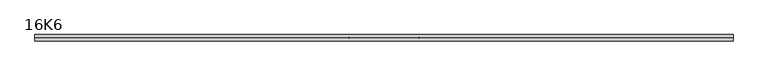
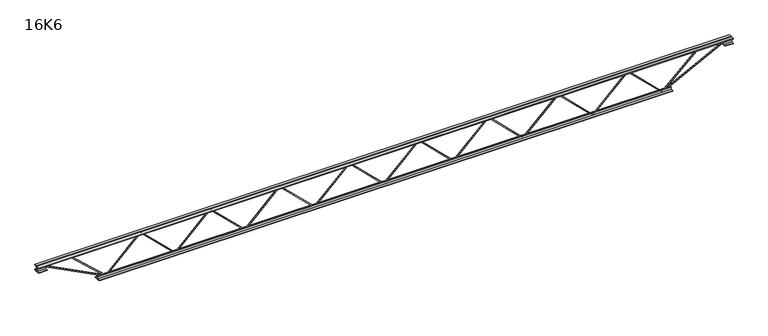
"""IFC4 building model written with IfcOpenShell, lengths in millimetres: beam geometry, 16K6."""

from ifc_helpers import new_model, si_unit, frame, origin, place, context, project, spatial, polyline, outline, extrude, source, transform, mapped, element, save


def beam_16k6_1f8b4bc0(model_context):
    return source(origin(), model_context, "Body", "SweptSolid", [
        extrude(outline(polyline([(-191.9, 1636.5), (-201.4, 1636.5), (-201.4, 1641.6094795), (191.9, 2044.3844795), (191.9, 2046.8655205), (-201.4, 2449.6405205), (-201.4, 2454.75), (-191.9, 2454.75), (-191.9, 2453.5094795), (201.4, 2050.7344795), (201.4, 2040.5155205), (-191.9, 1637.7405205), (-191.9, 1636.5)])), frame((0.0, -4.75, 0.0), z_axis=(0.0, 1.0, 0.0), x_axis=(0.0, 0.0, 1.0)), (0.0, 0.0, 1.0), 9.5),
        extrude(outline(polyline([(-191.9, 818.25), (-201.4, 818.25), (-201.4, 823.3594795), (191.9, 1226.1344795), (191.9, 1228.6155205), (-201.4, 1631.3905205), (-201.4, 1636.5), (-191.9, 1636.5), (-191.9, 1635.2594795), (201.4, 1232.4844795), (201.4, 1222.2655205), (-191.9, 819.4905205), (-191.9, 818.25)])), frame((0.0, -4.75, 0.0), z_axis=(0.0, 1.0, 0.0), x_axis=(0.0, 0.0, 1.0)), (0.0, 0.0, 1.0), 9.5),
        extrude(outline(polyline([(-191.9, 0.0), (-201.4, 0.0), (-201.4, 5.1094795), (191.9, 407.8844795), (191.9, 410.3655205), (-201.4, 813.1405205), (-201.4, 818.25), (-191.9, 818.25), (-191.9, 817.0094795), (201.4, 414.2344795), (201.4, 404.0155205), (-191.9, 1.2405205), (-191.9, 0.0)])), frame((0.0, -4.75, 0.0), z_axis=(0.0, 1.0, 0.0), x_axis=(0.0, 0.0, 1.0)), (0.0, 0.0, 1.0), 9.5),
        extrude(outline(polyline([(-191.9, -818.25), (-201.4, -818.25), (-201.4, -813.1405205), (191.9, -410.3655205), (191.9, -407.8844795), (-201.4, -5.1094795), (-201.4, 0.0), (-191.9, 0.0), (-191.9, -1.2405205), (201.4, -404.0155205), (201.4, -414.2344795), (-191.9, -817.0094795), (-191.9, -818.25)])), frame((0.0, -4.75, 0.0), z_axis=(0.0, 1.0, 0.0), x_axis=(0.0, 0.0, 1.0)), (0.0, 0.0, 1.0), 9.5),
        extrude(outline(polyline([(-191.9, -1636.5), (-201.4, -1636.5), (-201.4, -1631.3905205), (191.9, -1228.6155205), (191.9, -1226.1344795), (-201.4, -823.3594795), (-201.4, -818.25), (-191.9, -818.25), (-191.9, -819.4905205), (201.4, -1222.2655205), (201.4, -1232.4844795), (-191.9, -1635.2594795), (-191.9, -1636.5)])), frame((0.0, -4.75, 0.0), z_axis=(0.0, 1.0, 0.0), x_axis=(0.0, 0.0, 1.0)), (0.0, 0.0, 1.0), 9.5),
        extrude(outline(polyline([(-191.9, -2454.75), (-201.4, -2454.75), (-201.4, -2449.6405205), (191.9, -2046.8655205), (191.9, -2044.3844795), (-201.4, -1641.6094795), (-201.4, -1636.5), (-191.9, -1636.5), (-191.9, -1637.7405205), (201.4, -2040.5155205), (201.4, -2050.7344795), (-191.9, -2453.5094795), (-191.9, -2454.75)])), frame((0.0, -4.75, 0.0), z_axis=(0.0, 1.0, 0.0), x_axis=(0.0, 0.0, 1.0)), (0.0, 0.0, 1.0), 9.5),
        extrude(outline(polyline([(-191.9, 2454.75), (-201.4, 2454.75), (-201.4, 2459.8594795), (191.9, 2862.6344795), (191.9, 2865.1155205), (-201.4, 3267.8905205), (-201.4, 3273.0), (-191.9, 3273.0), (-191.9, 3271.7594795), (201.4, 2868.9844795), (201.4, 2858.7655205), (-191.9, 2455.9905205), (-191.9, 2454.75)])), frame((0.0, -4.75, 0.0), z_axis=(0.0, 1.0, 0.0), x_axis=(0.0, 0.0, 1.0)), (0.0, 0.0, 1.0), 9.5),
        extrude(outline(polyline([(-191.9, -3273.0), (-201.4, -3273.0), (-201.4, -3267.8905205), (191.9, -2865.1155205), (191.9, -2862.6344795), (-201.4, -2459.8594795), (-201.4, -2454.75), (-191.9, -2454.75), (-191.9, -2455.9905205), (201.4, -2858.7655205), (201.4, -2868.9844795), (-191.9, -3271.7594795), (-191.9, -3273.0)])), frame((0.0, -4.75, 0.0), z_axis=(0.0, 1.0, 0.0), x_axis=(0.0, 0.0, 1.0)), (0.0, 0.0, 1.0), 9.5),
        extrude(outline(polyline([(4.75, 203.0), (36.75, 203.0), (36.75, 196.5), (11.25, 196.5), (11.25, 171.0), (4.75, 171.0), (4.75, 203.0)])), frame((-4085.0, 0.0, 0.0), z_axis=(1.0, 0.0, 0.0), x_axis=(0.0, 1.0, 0.0)), (0.0, 0.0, 1.0), 8170.0),
        extrude(outline(polyline([(-4.75, 203.0), (-4.75, 171.0), (-11.25, 171.0), (-11.25, 196.5), (-36.75, 196.5), (-36.75, 203.0), (-4.75, 203.0)])), frame((-4085.0, 0.0, 0.0), z_axis=(1.0, 0.0, 0.0), x_axis=(0.0, 1.0, 0.0)), (0.0, 0.0, 1.0), 8170.0),
        extrude(outline(polyline([(-4.75, 139.5), (-36.75, 139.5), (-36.75, 146.0), (-11.25, 146.0), (-11.25, 171.0), (-4.75, 171.0), (-4.75, 139.5)])), frame((-4085.0, 0.0, 0.0), z_axis=(1.0, 0.0, 0.0), x_axis=(0.0, 1.0, 0.0)), (0.0, 0.0, 1.0), 100.0),
        extrude(outline(polyline([(36.75, 139.5), (4.75, 139.5), (4.75, 171.0), (11.25, 171.0), (11.25, 146.0), (36.75, 146.0), (36.75, 139.5)])), frame((-4085.0, 0.0, 0.0), z_axis=(1.0, 0.0, 0.0), x_axis=(0.0, 1.0, 0.0)), (0.0, 0.0, 1.0), 100.0),
        extrude(outline(polyline([(4.75, 139.5), (4.75, 171.0), (11.25, 171.0), (11.25, 146.0), (36.75, 146.0), (36.75, 139.5), (4.75, 139.5)])), frame((3985.0, 0.0, 0.0), z_axis=(1.0, 0.0, 0.0), x_axis=(0.0, 1.0, 0.0)), (0.0, 0.0, 1.0), 100.0),
        extrude(outline(polyline([(-4.75, 139.5), (-36.75, 139.5), (-36.75, 146.0), (-11.25, 146.0), (-11.25, 171.0), (-4.75, 171.0), (-4.75, 139.5)])), frame((3985.0, 0.0, 0.0), z_axis=(1.0, 0.0, 0.0), x_axis=(0.0, 1.0, 0.0)), (0.0, 0.0, 1.0), 100.0),
        extrude(outline(polyline([(4.75, -203.0), (4.75, -171.0), (11.25, -171.0), (11.25, -196.5), (36.75, -196.5), (36.75, -203.0), (4.75, -203.0)])), frame((-3373.0, 0.0, 0.0), z_axis=(1.0, 0.0, 0.0), x_axis=(0.0, 1.0, 0.0)), (0.0, 0.0, 1.0), 6746.0),
        extrude(outline(polyline([(-4.75, -203.0), (-36.75, -203.0), (-36.75, -196.5), (-11.25, -196.5), (-11.25, -171.0), (-4.75, -171.0), (-4.75, -203.0)])), frame((-3373.0, 0.0, 0.0), z_axis=(1.0, 0.0, 0.0), x_axis=(0.0, 1.0, 0.0)), (0.0, 0.0, 1.0), 6746.0),
        extrude(outline(polyline([(-200.8705467, -3275.1793315), (-192.4294533, -3270.8206685), (175.75, -3983.8460208), (175.75, -4085.0), (166.25, -4085.0), (166.25, -3986.1539792), (-200.8705467, -3275.1793315)])), frame((0.0, -4.75, 0.0), z_axis=(0.0, 1.0, 0.0), x_axis=(0.0, 0.0, 1.0)), (0.0, 0.0, 1.0), 9.5),
        extrude(outline(polyline([(188.7, -3702.0821429), (179.2, -3702.0821429), (179.2, -3691.2259446), (-200.1560236, -3276.2047306), (-193.1439764, -3269.7952694), (188.7, -3687.5383412), (188.7, -3702.0821429)])), frame((0.0, -4.75, 0.0), z_axis=(0.0, 1.0, 0.0), x_axis=(0.0, 0.0, 1.0)), (0.0, 0.0, 1.0), 9.5),
        extrude(outline(polyline([(0.0, -9.5), (0.0, 0.0), (801.3179909, 0.0), (801.3179909, -9.5), (0.0, -9.5)])), frame((3987.1793315, -4.75, 166.7794533), z_axis=(-0.45880662132449607, 0.0, 0.8885361468329809), x_axis=(-0.8885361468329809, 0.0, -0.45880662132449607)), (0.0, 0.0, 1.0), 9.5),
        extrude(outline(polyline([(0.0, -9.5), (0.0, 0.0), (578.0615317, 0.0), (578.0615317, -9.5), (0.0, -9.5)])), frame((3699.8710783, -4.75, 193.1689059), z_axis=(-0.6803773966098363, 0.0, 0.7328619229994293), x_axis=(-0.7328619229994293, 0.0, -0.6803773966098363)), (0.0, 0.0, 1.0), 9.5),
    ])


if __name__ == "__main__":
    model = new_model("IFC4")
    model_context = context("Model", 3, world=origin())
    ifc_project = project(units=[si_unit("LENGTHUNIT", "METRE", prefix="MILLI")], contexts=[model_context])
    site = spatial("IfcSite", under=ifc_project)
    building = spatial("IfcBuilding", under=site)
    placement = place(None, origin())
    beam_16k6_shape = beam_16k6_1f8b4bc0(model_context)
    element("IfcBeam", 1, ObjectType="16K6", at=placement, inside=building, context=model_context, shape_type="MappedRepresentation", body=[
        mapped(beam_16k6_shape, transform((0.0, 0.0, 0.0), x_axis=(1.0, 0.0, 0.0), y_axis=(0.0, 1.0, 0.0), z_axis=(0.0, 0.0, 1.0))),
    ])
    save(model, "model.ifc")
